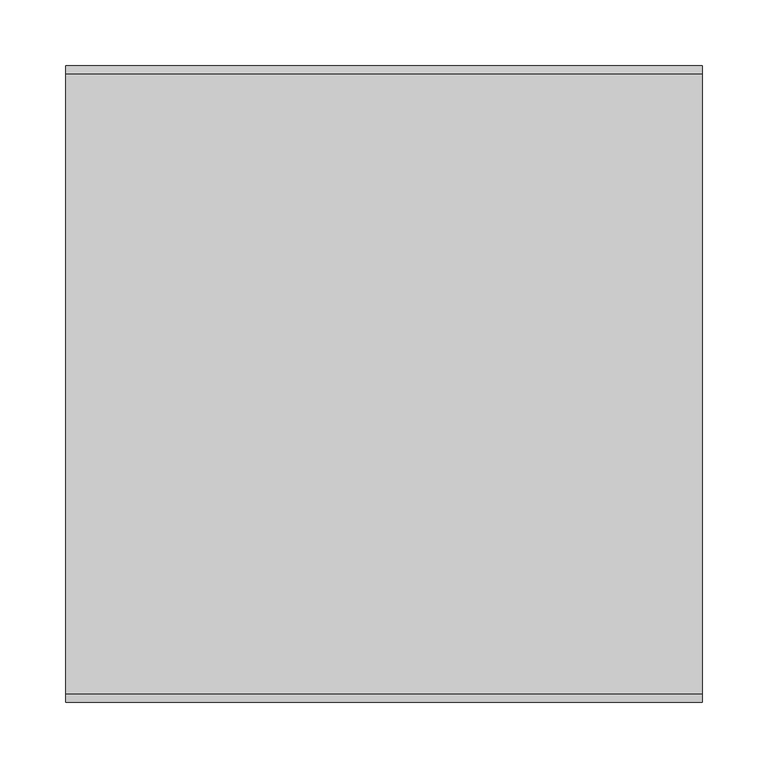
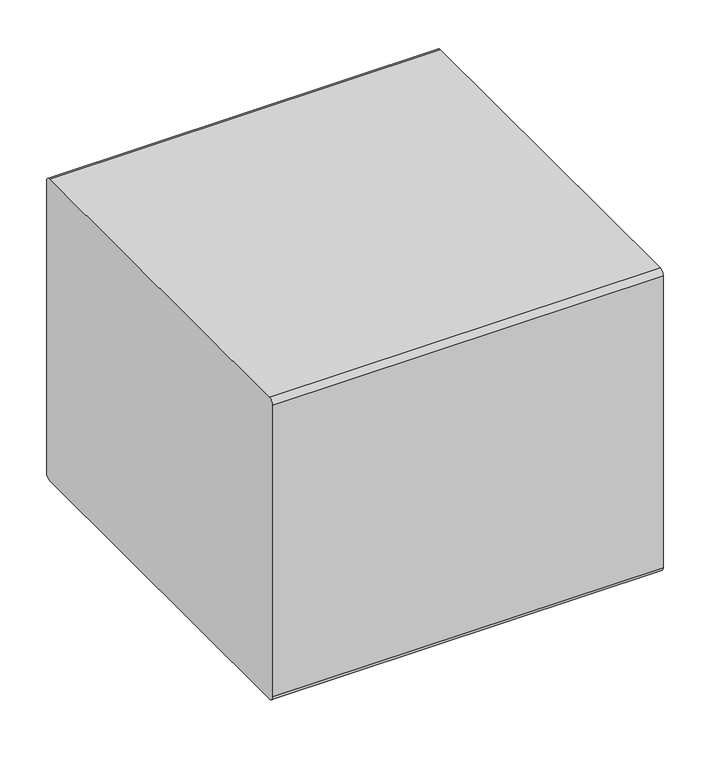
"""IFC4 building model written with IfcOpenShell, lengths in millimetres: furniture geometry."""

from ifc_helpers import new_model, si_unit, point, frame, frame_2d, origin, place, context, project, spatial, polyline, circle_curve, trimmed, segment, composite_curve, outline, extrude, faceted_brep, source, transform, mapped, element, save


def furniture_9b560d07(model_context):
    return source(origin(), model_context, "Body", "SolidModel", [
        faceted_brep([(591.287495, 327.8342493, 25.4000008), (588.112489, 324.6592432, 25.4000008), (588.112489, 280.2092311, 25.4000008), (591.287495, 277.0342432, 25.4000008), (635.737489, 277.0342432, 25.4000008), (638.912495, 280.2092311, 25.4000008), (638.912495, 324.6592432, 25.4000008), (635.737489, 327.8342493, 25.4000008), (638.912495, 331.0092372, 0.0), (642.0874829, 327.8342493, 0.0), (642.0874829, 277.0342432, 0.0), (638.912495, 273.8592553, 0.0), (588.112489, 273.8592553, 0.0), (584.9374829, 277.0342432, 0.0), (584.9374829, 327.8342493, 0.0), (588.112489, 331.0092372, 0.0), (591.287495, 327.8342493, 3.1750001), (588.112489, 324.6592432, 3.1750001), (588.112489, 280.2092311, 3.1750001), (591.287495, 277.0342432, 3.1750001), (635.737489, 277.0342432, 3.1750001), (638.912495, 280.2092311, 3.1750001), (638.912495, 324.6592432, 3.1750001), (635.737489, 327.8342493, 3.1750001), (638.912495, 331.0092372, 3.1750001), (588.112489, 331.0092372, 3.1750001), (584.9374829, 327.8342493, 3.1750001), (584.9374829, 277.0342432, 3.1750001), (588.112489, 273.8592553, 3.1750001), (638.912495, 273.8592553, 3.1750001), (642.0874829, 277.0342432, 3.1750001), (642.0874829, 327.8342493, 3.1750001)], [[[0, 1, 2, 3, 4, 5, 6, 7]], [[8, 9, 10, 11, 12, 13, 14, 15]], [[1, 0, 16, 17]], [[2, 1, 17, 18]], [[3, 2, 18, 19]], [[4, 3, 19, 20]], [[5, 4, 20, 21]], [[6, 5, 21, 22]], [[7, 6, 22, 23]], [[0, 7, 23, 16]], [[24, 25, 26, 27, 28, 29, 30, 31], [17, 16, 23, 22, 21, 20, 19, 18]], [[25, 24, 8, 15]], [[26, 25, 15, 14]], [[27, 26, 14, 13]], [[28, 27, 13, 12]], [[29, 28, 12, 11]], [[30, 29, 11, 10]], [[31, 30, 10, 9]], [[24, 31, 9, 8]]]),
        faceted_brep([(261.087489, 327.8342493, 25.4000008), (257.9124829, 324.6592432, 25.4000008), (257.9124829, 280.2092311, 25.4000008), (261.087489, 277.0342432, 25.4000008), (305.5374829, 277.0342432, 25.4000008), (308.712489, 280.2092311, 25.4000008), (308.712489, 324.6592432, 25.4000008), (305.5374829, 327.8342493, 25.4000008), (308.712489, 331.0092372, 0.0), (311.8874769, 327.8342493, 0.0), (311.8874769, 277.0342432, 0.0), (308.712489, 273.8592553, 0.0), (257.9124829, 273.8592553, 0.0), (254.7374769, 277.0342432, 0.0), (254.7374769, 327.8342493, 0.0), (257.9124829, 331.0092372, 0.0), (261.087489, 327.8342493, 3.1750001), (257.9124829, 324.6592432, 3.1750001), (257.9124829, 280.2092311, 3.1750001), (261.087489, 277.0342432, 3.1750001), (305.5374829, 277.0342432, 3.1750001), (308.712489, 280.2092311, 3.1750001), (308.712489, 324.6592432, 3.1750001), (305.5374829, 327.8342493, 3.1750001), (308.712489, 331.0092372, 3.1750001), (257.9124829, 331.0092372, 3.1750001), (254.7374769, 327.8342493, 3.1750001), (254.7374769, 277.0342432, 3.1750001), (257.9124829, 273.8592553, 3.1750001), (308.712489, 273.8592553, 3.1750001), (311.8874769, 277.0342432, 3.1750001), (311.8874769, 327.8342493, 3.1750001)], [[[0, 1, 2, 3, 4, 5, 6, 7]], [[8, 9, 10, 11, 12, 13, 14, 15]], [[1, 0, 16, 17]], [[2, 1, 17, 18]], [[3, 2, 18, 19]], [[4, 3, 19, 20]], [[5, 4, 20, 21]], [[6, 5, 21, 22]], [[7, 6, 22, 23]], [[0, 7, 23, 16]], [[24, 25, 26, 27, 28, 29, 30, 31], [17, 16, 23, 22, 21, 20, 19, 18]], [[25, 24, 8, 15]], [[26, 25, 15, 14]], [[27, 26, 14, 13]], [[28, 27, 13, 12]], [[29, 28, 12, 11]], [[30, 29, 11, 10]], [[31, 30, 10, 9]], [[24, 31, 9, 8]]]),
        faceted_brep([(308.712489, 0.8092432, 3.1750001), (257.9124829, 0.8092432, 3.1750001), (254.7374769, -2.3657447, 3.1750001), (254.7374769, -53.1657507, 3.1750001), (257.9124829, -56.3407386, 3.1750001), (308.712489, -56.3407386, 3.1750001), (311.8874769, -53.1657507, 3.1750001), (311.8874769, -2.3657447, 3.1750001), (257.9124829, -5.5407507, 3.1750001), (261.087489, -2.3657447, 3.1750001), (305.5374829, -2.3657447, 3.1750001), (308.712489, -5.5407507, 3.1750001), (308.712489, -49.9907628, 3.1750001), (305.5374829, -53.1657507, 3.1750001), (261.087489, -53.1657507, 3.1750001), (257.9124829, -49.9907628, 3.1750001), (308.712489, 0.8092432, 0.0), (311.8874769, -2.3657447, 0.0), (311.8874769, -53.1657507, 0.0), (308.712489, -56.3407386, 0.0), (257.9124829, -56.3407386, 0.0), (254.7374769, -53.1657507, 0.0), (254.7374769, -2.3657447, 0.0), (257.9124829, 0.8092432, 0.0), (261.087489, -2.3657447, 25.4000008), (257.9124829, -5.5407507, 25.4000008), (257.9124829, -49.9907628, 25.4000008), (261.087489, -53.1657507, 25.4000008), (305.5374829, -53.1657507, 25.4000008), (308.712489, -49.9907628, 25.4000008), (308.712489, -5.5407507, 25.4000008), (305.5374829, -2.3657447, 25.4000008)], [[[0, 1, 2, 3, 4, 5, 6, 7], [8, 9, 10, 11, 12, 13, 14, 15]], [[16, 17, 18, 19, 20, 21, 22, 23]], [[1, 0, 16, 23]], [[2, 1, 23, 22]], [[3, 2, 22, 21]], [[4, 3, 21, 20]], [[5, 4, 20, 19]], [[6, 5, 19, 18]], [[7, 6, 18, 17]], [[0, 7, 17, 16]], [[24, 25, 26, 27, 28, 29, 30, 31]], [[25, 24, 9, 8]], [[26, 25, 8, 15]], [[27, 26, 15, 14]], [[28, 27, 14, 13]], [[29, 28, 13, 12]], [[30, 29, 12, 11]], [[31, 30, 11, 10]], [[24, 31, 10, 9]]]),
        faceted_brep([(591.287495, -2.3657447, 25.4000008), (588.112489, -5.5407507, 25.4000008), (588.112489, -49.9907628, 25.4000008), (591.287495, -53.1657507, 25.4000008), (635.737489, -53.1657507, 25.4000008), (638.912495, -49.9907628, 25.4000008), (638.912495, -5.5407507, 25.4000008), (635.737489, -2.3657447, 25.4000008), (638.912495, 0.8092432, 0.0), (642.0874829, -2.3657447, 0.0), (642.0874829, -53.1657507, 0.0), (638.912495, -56.3407386, 0.0), (588.112489, -56.3407386, 0.0), (584.9374829, -53.1657507, 0.0), (584.9374829, -2.3657447, 0.0), (588.112489, 0.8092432, 0.0), (591.287495, -2.3657447, 3.1750001), (588.112489, -5.5407507, 3.1750001), (588.112489, -49.9907628, 3.1750001), (591.287495, -53.1657507, 3.1750001), (635.737489, -53.1657507, 3.1750001), (638.912495, -49.9907628, 3.1750001), (638.912495, -5.5407507, 3.1750001), (635.737489, -2.3657447, 3.1750001), (638.912495, 0.8092432, 3.1750001), (588.112489, 0.8092432, 3.1750001), (584.9374829, -2.3657447, 3.1750001), (584.9374829, -53.1657507, 3.1750001), (588.112489, -56.3407386, 3.1750001), (638.912495, -56.3407386, 3.1750001), (642.0874829, -53.1657507, 3.1750001), (642.0874829, -2.3657447, 3.1750001)], [[[0, 1, 2, 3, 4, 5, 6, 7]], [[8, 9, 10, 11, 12, 13, 14, 15]], [[1, 0, 16, 17]], [[2, 1, 17, 18]], [[3, 2, 18, 19]], [[4, 3, 19, 20]], [[5, 4, 20, 21]], [[6, 5, 21, 22]], [[7, 6, 22, 23]], [[0, 7, 23, 16]], [[24, 25, 26, 27, 28, 29, 30, 31], [17, 16, 23, 22, 21, 20, 19, 18]], [[25, 24, 8, 15]], [[26, 25, 15, 14]], [[27, 26, 14, 13]], [[28, 27, 13, 12]], [[29, 28, 12, 11]], [[30, 29, 11, 10]], [[31, 30, 10, 9]], [[24, 31, 9, 8]]]),
        extrude(outline(composite_curve([segment(trimmed(circle_curve(frame_2d((373.7950592, 412.75)), 6.35), [point((373.7950592, 419.1))], [point((380.1450592, 412.75))], False, "CARTESIAN"), True, "CONTINUOUS"), segment(polyline([(380.1450592, 412.75), (380.1450592, 31.7500008)]), True, "CONTINUOUS"), segment(trimmed(circle_curve(frame_2d((373.7950592, 31.7500008)), 6.35), [point((380.1450592, 31.7500008))], [point((373.7950592, 25.4000008))], False, "CARTESIAN"), True, "CONTINUOUS"), segment(polyline([(373.7950592, 25.4000008), (-96.1049408, 25.4000008)]), True, "CONTINUOUS"), segment(trimmed(circle_curve(frame_2d((-96.1049408, 31.7500008)), 6.35), [point((-96.1049408, 25.4000008))], [point((-102.4549408, 31.7500008))], False, "CARTESIAN"), True, "CONTINUOUS"), segment(polyline([(-102.4549408, 31.7500008), (-102.4549408, 412.75)]), True, "CONTINUOUS"), segment(trimmed(circle_curve(frame_2d((-96.1049408, 412.75)), 6.35), [point((-102.4549408, 412.75))], [point((-96.1049408, 419.1))], False, "CARTESIAN"), True, "CONTINUOUS"), segment(polyline([(-96.1049408, 419.1), (373.7950592, 419.1)]), True, "CONTINUOUS")], self_intersect=False)), frame((206.375, 0.0, 0.0), z_axis=(1.0, 0.0, 0.0), x_axis=(0.0, 1.0, 0.0)), (0.0, 0.0, 1.0), 482.6),
    ])


if __name__ == "__main__":
    model = new_model("IFC4")
    model_context = context("Model", 3, world=origin())
    ifc_project = project(units=[si_unit("LENGTHUNIT", "METRE", prefix="MILLI")], contexts=[model_context])
    site = spatial("IfcSite", under=ifc_project)
    building = spatial("IfcBuilding", under=site)
    placement = place(None, origin())
    furniture_shape = furniture_9b560d07(model_context)
    element("IfcFurniture", 1, at=placement, inside=building, context=model_context, shape_type="MappedRepresentation", body=[
        mapped(furniture_shape, transform((0.0, 0.0, 0.0), x_axis=(1.0, 0.0, 0.0), y_axis=(0.0, 1.0, 0.0), z_axis=(0.0, 0.0, 1.0))),
    ])
    save(model, "model.ifc")
